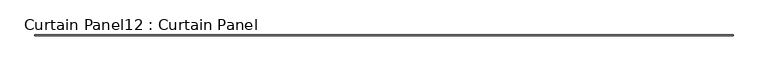
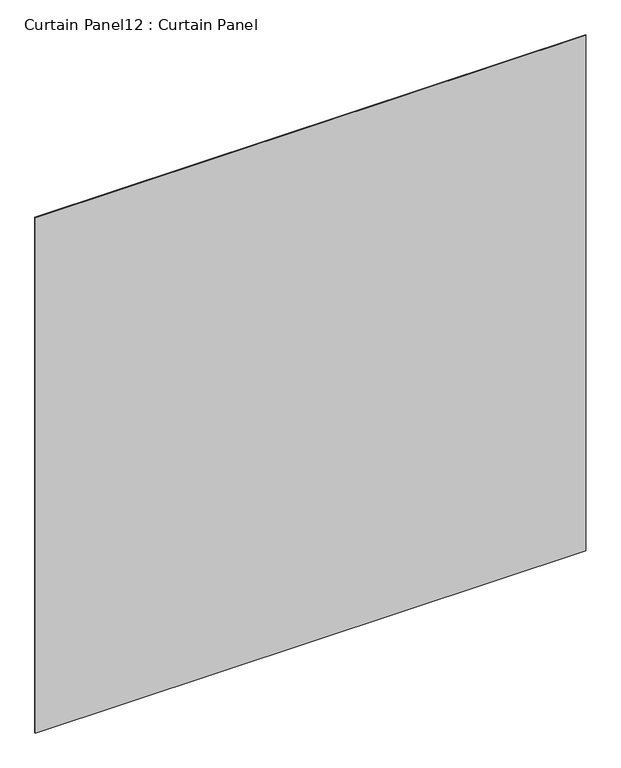
"""IFC4 building model written with IfcOpenShell, lengths in millimetres: plate geometry, Curtain Panel12 : Curtain Panel."""

import ifcopenshell
import ifcopenshell.guid

model = None  # the IFC model being written
_history = None  # IfcOwnerHistory: only IFC2X3 demands one
_inside = {}  # id of a spatial element -> (the spatial element, [elements in it])
_under = {}  # id of a project, library or spatial element -> (it, [spatial elements below it])
_declared = {}  # id of a project -> (the project, [libraries it declares])
_typed = {}  # id of a type object -> (the type object, [elements of that type])
_made_of = {}  # id of a material, layer set ... -> (it, [elements and type objects made of it])


def new_model(schema):
    """Start an empty IFC model of exactly this schema.

    Asked for "IFC4X3", IfcOpenShell would pick the latest addendum, in which some entities
    have other attributes; the version numbers below select the first issue.
    IFC2X3 requires an IfcOwnerHistory on every rooted entity: one is made here for all.
    """
    global model, _history
    if schema == "IFC4X3":
        model = ifcopenshell.file(schema_version=(4, 3, 0, 0))
    else:
        model = ifcopenshell.file(schema=schema)
    _inside.clear()
    _under.clear()
    _declared.clear()
    _typed.clear()
    _made_of.clear()
    _history = None
    if model.schema == "IFC2X3":
        org = make("IfcOrganization", Name="unknown")
        user = make(
            "IfcPersonAndOrganization",
            ThePerson=make("IfcPerson", FamilyName="unknown"),
            TheOrganization=org,
        )
        app = make(
            "IfcApplication",
            ApplicationDeveloper=org,
            Version="unknown",
            ApplicationFullName="unknown",
            ApplicationIdentifier="unknown",
        )
        _history = make(
            "IfcOwnerHistory",
            OwningUser=user,
            OwningApplication=app,
            ChangeAction="ADDED",
            CreationDate=0,
        )
    return model


def make(cls, **values):
    """One entity of the class cls with the attributes given. An attribute that is None is left unset."""
    return model.create_entity(
        cls, **{name: value for name, value in values.items() if value is not None}
    )


def rooted(cls, **values):
    """An entity with a GlobalId (a new one), such as an element, a storey or a relation."""
    return make(cls, GlobalId=ifcopenshell.guid.new(), OwnerHistory=_history, **values)


def si_unit(unit_type, name, prefix=None):
    """IfcSIUnit, for example si_unit("LENGTHUNIT", "METRE", prefix="MILLI")."""
    return make("IfcSIUnit", UnitType=unit_type, Prefix=prefix, Name=name)


def assignment(units):
    """IfcUnitAssignment: the units of a project."""
    return None if units is None else make("IfcUnitAssignment", Units=units)


def point(xyz):
    """IfcCartesianPoint."""
    return None if xyz is None else make("IfcCartesianPoint", Coordinates=xyz)


def direction(xyz):
    """IfcDirection."""
    return None if xyz is None else make("IfcDirection", DirectionRatios=xyz)


def frame(location, z_axis=None, x_axis=None):
    """IfcAxis2Placement3D, a coordinate frame: its origin and axes. An axis left out is left unset."""
    return make(
        "IfcAxis2Placement3D",
        Location=point(location),
        Axis=direction(z_axis),
        RefDirection=direction(x_axis),
    )


def origin():
    """The frame at (0, 0, 0) with its axes left unset."""
    return frame((0.0, 0.0, 0.0))


def place(relative_to, where):
    """IfcLocalPlacement: puts the frame where relative to a parent placement (None: the world)."""
    return make(
        "IfcLocalPlacement", PlacementRelTo=relative_to, RelativePlacement=where
    )


def context(
    kind, dimensions, precision=None, world=None, true_north=None, identifier=None
):
    """IfcGeometricRepresentationContext, for example the 3D "Model" context."""
    return make(
        "IfcGeometricRepresentationContext",
        ContextIdentifier=identifier,
        ContextType=kind,
        CoordinateSpaceDimension=dimensions,
        Precision=precision,
        WorldCoordinateSystem=world,
        TrueNorth=true_north,
    )


def project(units=None, contexts=None):
    """IfcProject with its units and contexts."""
    return rooted(
        "IfcProject",
        Name="project",
        RepresentationContexts=contexts,
        UnitsInContext=assignment(units),
    )


def spatial(cls, under=None, at=None, **own):
    """A site, building, storey or space (cls), placed at a placement, below another one or the project."""
    s = rooted(cls, ObjectPlacement=at, **own)
    if under is not None:
        _under.setdefault(under.id(), (under, []))[1].append(s)
    return s


def polyline(points):
    """IfcPolyline through the points."""
    return make("IfcPolyline", Points=[point(p) for p in points])


def outline(outer, holes=None, kind="AREA"):
    """IfcArbitraryClosedProfileDef: a profile drawn as a closed curve; with holes, ...WithVoids."""
    if holes is None:
        return make("IfcArbitraryClosedProfileDef", ProfileType=kind, OuterCurve=outer)
    return make(
        "IfcArbitraryProfileDefWithVoids",
        ProfileType=kind,
        OuterCurve=outer,
        InnerCurves=holes,
    )


def extrude(swept, where, along, depth):
    """IfcExtrudedAreaSolid: the profile swept, set in the frame where, extruded along a direction by depth."""
    return make(
        "IfcExtrudedAreaSolid",
        SweptArea=swept,
        Position=where,
        ExtrudedDirection=direction(along),
        Depth=depth,
    )


def shape(context_of_items, identifier, shape_type, items):
    """IfcShapeRepresentation: the items that make up one representation, for example the "Body"."""
    return make(
        "IfcShapeRepresentation",
        ContextOfItems=context_of_items,
        RepresentationIdentifier=identifier,
        RepresentationType=shape_type,
        Items=items,
    )


def source(mapping_origin, context_of_items, identifier, shape_type, items):
    """IfcRepresentationMap: a shape defined once, which mapped items show again and again."""
    return make(
        "IfcRepresentationMap",
        MappingOrigin=mapping_origin,
        MappedRepresentation=shape(context_of_items, identifier, shape_type, items),
    )


def transform(
    local_origin,
    x_axis=None,
    y_axis=None,
    z_axis=None,
    scale=None,
    scale2=None,
    scale3=None,
    uniform=True,
):
    """IfcCartesianTransformationOperator3D, or its non-uniform kind. x_axis, y_axis, z_axis: its Axis1, 2, 3."""
    if uniform:
        return make(
            "IfcCartesianTransformationOperator3D",
            Axis1=direction(x_axis),
            Axis2=direction(y_axis),
            LocalOrigin=point(local_origin),
            Scale=scale,
            Axis3=direction(z_axis),
        )
    return make(
        "IfcCartesianTransformationOperator3DnonUniform",
        Axis1=direction(x_axis),
        Axis2=direction(y_axis),
        LocalOrigin=point(local_origin),
        Scale=scale,
        Axis3=direction(z_axis),
        Scale2=scale2,
        Scale3=scale3,
    )


def mapped(mapping_source, mapping_target):
    """IfcMappedItem: shows the shape of a source again, moved by a transform."""
    return make(
        "IfcMappedItem", MappingSource=mapping_source, MappingTarget=mapping_target
    )


def made_of(thing, what):
    """Note that an element or type object is made of a material, layer set ...; save() writes the relation."""
    if what is not None:
        _made_of.setdefault(what.id(), (what, []))[1].append(thing)
    return thing


def element(
    cls,
    number,
    at=None,
    inside=None,
    cuts=None,
    type_object=None,
    material=None,
    context=None,
    identifier="Body",
    shape_type=None,
    held_by="IfcProductDefinitionShape",
    body=None,
    shapes=None,
    **own,
):
    """One element of the class cls, such as IfcWall. Its Tag is "e" and its number.

    at: its placement. inside: the storey or other place that contains it. cuts: it is an
    opening in that element (IfcRelVoidsElement). A single representation is given by context,
    identifier, shape_type and body (its items); several are given by shapes. held_by: the class
    of the entity that holds the representations. save() writes the other relations.
    """
    e = rooted(cls, Tag="e%d" % number, ObjectPlacement=at, **own)
    if body is not None:
        shapes = [shape(context, identifier, shape_type, body)]
    if shapes is not None:
        e.Representation = make(held_by, Representations=shapes)
    if inside is not None:
        _inside.setdefault(inside.id(), (inside, []))[1].append(e)
    if cuts is not None:
        rooted(
            "IfcRelVoidsElement", RelatingBuildingElement=cuts, RelatedOpeningElement=e
        )
    if type_object is not None:
        _typed.setdefault(type_object.id(), (type_object, []))[1].append(e)
    return made_of(e, material)


def aggregate(whole, parts):
    """IfcRelAggregates: a whole, such as a stair, and the parts it consists of."""
    return rooted("IfcRelAggregates", RelatingObject=whole, RelatedObjects=parts)


def save(model, path):
    """Write the relations noted so far, then the file.

    IfcRelAggregates (storeys below a building ...), IfcRelContainedInSpatialStructure (elements
    in a storey), IfcRelDefinesByType, IfcRelAssociatesMaterial and IfcRelDeclares: one each for
    every whole, place, type object, material and project.
    """
    for whole, parts in _under.values():
        aggregate(whole, parts)
    for where, things in _inside.values():
        rooted(
            "IfcRelContainedInSpatialStructure",
            RelatedElements=things,
            RelatingStructure=where,
        )
    for kind, things in _typed.values():
        rooted("IfcRelDefinesByType", RelatedObjects=things, RelatingType=kind)
    for what, things in _made_of.values():
        rooted("IfcRelAssociatesMaterial", RelatedObjects=things, RelatingMaterial=what)
    for by, libraries in _declared.values():
        rooted("IfcRelDeclares", RelatingContext=by, RelatedDefinitions=libraries)
    model.write(path)


def curtain_panel12_curtain_panel_9f0037d0(model_context):
    return source(origin(), model_context, "Body", "SweptSolid", [
        extrude(outline(polyline([(212223.6166102, 2929.5784455), (206161.1831585, 2929.5784455), (206161.1831585, 2935.9284455), (212223.6166102, 2935.9284455), (212223.6166102, 2929.5784455)])), frame((0.0, 0.0, 1147.4303518), z_axis=(0.0, 0.0, 1.0), x_axis=(1.0, 0.0, 0.0)), (0.0, 0.0, 1.0), 6000.75),
    ])


if __name__ == "__main__":
    model = new_model("IFC4")
    model_context = context("Model", 3, world=origin())
    ifc_project = project(units=[si_unit("LENGTHUNIT", "METRE", prefix="MILLI")], contexts=[model_context])
    site = spatial("IfcSite", under=ifc_project)
    building = spatial("IfcBuilding", under=site)
    placement = place(None, origin())
    curtain_panel12_curtain_panel_shape = curtain_panel12_curtain_panel_9f0037d0(model_context)
    element("IfcPlate", 1, ObjectType="Curtain Panel12 : Curtain Panel", at=placement, inside=building, context=model_context, shape_type="MappedRepresentation", body=[
        mapped(curtain_panel12_curtain_panel_shape, transform((0.0, 0.0, 0.0), x_axis=(1.0, 0.0, 0.0), y_axis=(0.0, 1.0, 0.0), z_axis=(0.0, 0.0, 1.0))),
    ])
    save(model, "model.ifc")
